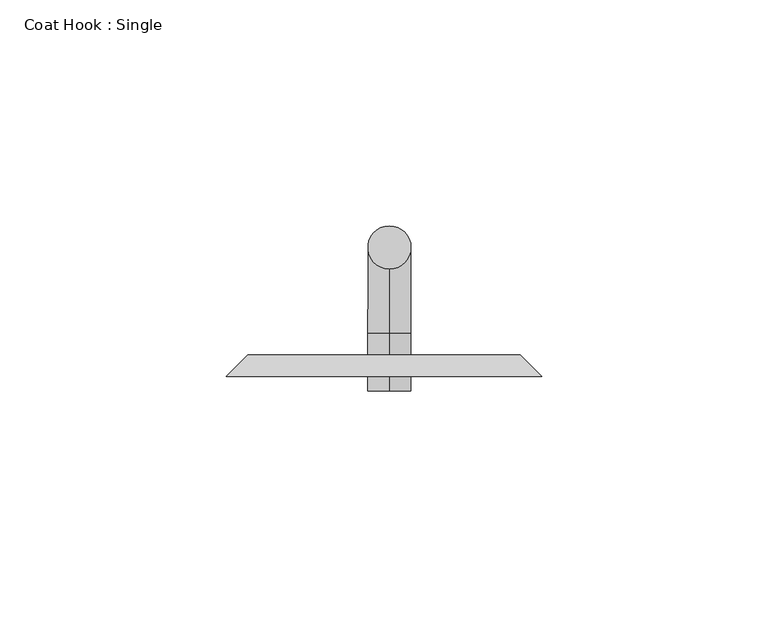
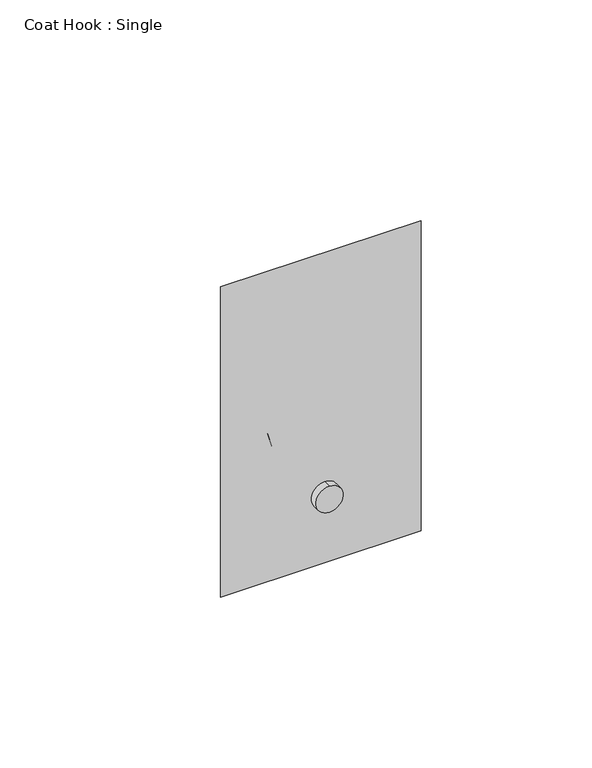
"""IFC4 building model written with IfcOpenShell, lengths in millimetres: proxy geometry, Coat Hook : Single."""

from ifc_helpers import new_model, si_unit, point, frame, origin, place, context, project, spatial, circle_curve, ellipse_curve, trimmed, faceted_brep, source, transform, mapped, element, save
from ifc_brep_helpers import plane_surface, cylinder_surface, revolved_surface, advanced_brep


def coat_hook_single_c0d326c5(model_context):
    return source(origin(), model_context, "Body", "SolidModel", [
        faceted_brep([(-30.1625, 101.6, 1271.5875), (30.1625, 101.6, 1271.5875), (30.1625, 101.6, 1166.8125), (-30.1625, 101.6, 1166.8125), (-34.925, 96.8375, 1276.35), (-34.925, 96.8375, 1162.05), (34.925, 96.8375, 1162.05), (34.925, 96.8375, 1276.35)], [[[0, 1, 2, 3]], [[4, 5, 6, 7]], [[4, 7, 1, 0]], [[7, 6, 2, 1]], [[6, 5, 3, 2]], [[5, 4, 0, 3]]]),
        advanced_brep(
        [(1.189616, 93.6619234, 1192.1954874), (1.189616, 93.6619234, 1182.6704874), (1.1957877, 106.3619219, 1192.1954874), (1.1957877, 106.3619219, 1182.6704874), (1.2073597, 130.1744191, 1206.4829874), (1.2027309, 120.6494202, 1206.4829874), (1.2027309, 120.6494202, 1219.2), (1.2073597, 130.1744191, 1219.2)],
        [
            (0, 1, circle_curve(frame((1.189616, 93.6619234, 1187.4329874), z_axis=(-0.0004859625601772999, -0.9999998819201881, 0.0), x_axis=(0.0, 0.0, -1.0)), 4.7625)),
            (1, 0, circle_curve(frame((1.189616, 93.6619234, 1187.4329874), z_axis=(-0.0004859625601772999, -0.9999998819201881, 0.0), x_axis=(0.0, 0.0, -1.0)), 4.7625)),
            (0, 2),
            (2, 3, circle_curve(frame((1.1957877, 106.3619219, 1187.4329874), z_axis=(-0.0004859625601772999, -0.9999998819201881, 0.0), x_axis=(0.0, 0.0, -1.0)), 4.7625)),
            (3, 1),
            (3, 2, circle_curve(frame((1.1957877, 106.3619219, 1187.4329874), z_axis=(-0.0004859625601772999, -0.9999998819201881, 0.0), x_axis=(0.0, 0.0, -1.0)), 4.7625)),
            (4, 3, circle_curve(frame((1.1957877, 106.3619219, 1206.4829874), z_axis=(-0.9999998819201881, 0.0004859625601772999, 0.0), x_axis=(0.0, 0.0, -1.0)), 23.8125)),
            (2, 5, circle_curve(frame((1.1957877, 106.3619219, 1206.4829874), z_axis=(0.9999998819201881, -0.0004859625601772999, 0.0), x_axis=(0.0, 0.0, -1.0)), 14.2875)),
            (5, 4, circle_curve(frame((1.2050453, 125.4119196, 1206.4829874), z_axis=(0.0, 0.0, -1.0), x_axis=(0.0004859625601772999, 0.9999998819201881, 0.0)), 4.7625)),
            (4, 5, circle_curve(frame((1.2050453, 125.4119196, 1206.4829874), z_axis=(0.0, 0.0, -1.0), x_axis=(0.0004859625601772999, 0.9999998819201881, 0.0)), 4.7625)),
            (6, 7, circle_curve(frame((1.2050453, 125.4119196, 1219.2), z_axis=(0.0, 0.0, 1.0), x_axis=(0.0004859625601772999, 0.9999998819201881, 0.0)), 4.7625)),
            (7, 6, circle_curve(frame((1.2050453, 125.4119196, 1219.2), z_axis=(0.0, 0.0, 1.0), x_axis=(0.0004859625601772999, 0.9999998819201881, 0.0)), 4.7625)),
            (5, 6),
            (7, 4),
        ],
        [
            plane_surface(frame((-3.5728835, 93.6642378, 1187.4329874), z_axis=(-0.00048596256017723706, -0.9999998819201881, 0.0), x_axis=(0.0, 0.0, 1.0))),
            cylinder_surface(frame((1.189616, 93.6619234, 1187.4329874), z_axis=(-0.0004859625601772999, -0.9999998819201881, 0.0), x_axis=(0.0, 0.0, -1.0)), 4.7625),
            revolved_surface(trimmed(ellipse_curve(frame((1.1957877, 106.3619219, 1187.4329874), z_axis=(-0.0004859625601773555, -0.9999998819201881, 0.0), x_axis=(0.0, 0.0, -1.0)), 4.7625, 4.7625), [point((1.1957877, 106.3619219, 1192.1954874))], [point((1.1957877, 106.3619219, 1182.6704874))], True, "CARTESIAN"), (119.8500755, 106.3042603, 1206.4829874), (0.9999998819201881, -0.0004859625601772999, 0.0)),
            revolved_surface(trimmed(ellipse_curve(frame((1.1957877, 106.3619219, 1187.4329874), z_axis=(-0.0004859625601773555, -0.9999998819201881, 0.0), x_axis=(0.0, 0.0, -1.0)), 4.7625, 4.7625), [point((1.1957877, 106.3619219, 1182.6704874))], [point((1.1957877, 106.3619219, 1192.1954874))], True, "CARTESIAN"), (119.8500755, 106.3042603, 1206.4829874), (0.9999998819201881, -0.0004859625601772999, 0.0)),
            plane_surface(frame((119.8593331, 1.9374562, 1219.2), z_axis=(0.0, 0.0, 1.0), x_axis=(1.0, 0.0, 0.0))),
            cylinder_surface(frame((1.2050453, 125.4119196, 1206.4829874), z_axis=(0.0, 0.0, -1.0), x_axis=(0.0004859625601772999, 0.9999998819201881, 0.0)), 4.7625),
        ],
        [
            (0, [[1, 2]]),
            (1, [[-1, 3, 4, 5]]),
            (1, [[-2, -5, 6, -3]]),
            (2, [[7, -4, 8, 9]]),
            (3, [[-8, -6, -7, 10]]),
            (4, [[11, 12]]),
            (5, [[-9, 13, -12, 14]]),
            (5, [[-10, -14, -11, -13]]),
        ],
    ),
    ])


if __name__ == "__main__":
    model = new_model("IFC4")
    model_context = context("Model", 3, world=origin())
    ifc_project = project(units=[si_unit("LENGTHUNIT", "METRE", prefix="MILLI")], contexts=[model_context])
    site = spatial("IfcSite", under=ifc_project)
    building = spatial("IfcBuilding", under=site)
    placement = place(None, origin())
    coat_hook_single_shape = coat_hook_single_c0d326c5(model_context)
    element("IfcBuildingElementProxy", 1, Name="Coat Hook : Single", ObjectType="Coat Hook : Single", at=placement, inside=building, context=model_context, shape_type="MappedRepresentation", body=[
        mapped(coat_hook_single_shape, transform((0.0, 0.0, 0.0), x_axis=(1.0, 0.0, 0.0), y_axis=(0.0, 1.0, 0.0), z_axis=(0.0, 0.0, 1.0))),
    ])
    save(model, "model.ifc")
